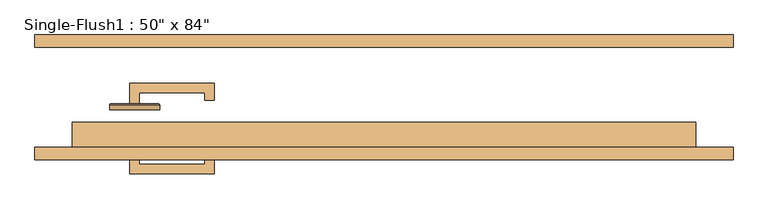
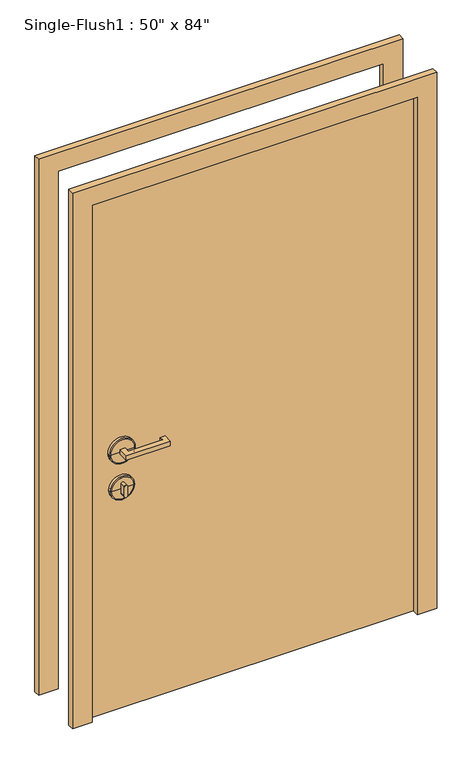
"""IFC4 building model written with IfcOpenShell, lengths in millimetres: door geometry."""

from ifc_helpers import new_model, si_unit, point, frame, frame_2d, origin, origin_with_axes, place, context, project, spatial, polyline, circle_curve, ellipse_curve, trimmed, segment, composite_curve, outline, extrude, source, transform, mapped, element, save
from ifc_brep_helpers import plane_surface, cylinder_surface, revolved_surface, advanced_brep


def door_08adf14d(model_context):
    return source(origin(), model_context, "Body", "SolidModel", [
        extrude(outline(polyline([(-498.475, -12.7), (-517.525, -12.7), (-517.525, 28.575), (-346.075, 28.575), (-346.075, -6.35), (-365.125, -6.35), (-365.125, 9.525), (-498.475, 9.525), (-498.475, -12.7)])), frame((0.0, 0.0, 1057.275), z_axis=(0.0, 0.0, 1.0), x_axis=(1.0, 0.0, 0.0)), (0.0, 0.0, 1.0), 19.05),
        extrude(outline(composite_curve([segment(trimmed(circle_curve(frame_2d((895.35, -508.0)), 6.35), [point((895.35, -514.35))], [point((895.35, -501.65))], False, "CARTESIAN"), True, "CONTINUOUS"), segment(polyline([(895.35, -501.65), (933.45, -501.65)]), True, "CONTINUOUS"), segment(trimmed(circle_curve(frame_2d((933.45, -508.0)), 6.35), [point((933.45, -501.65))], [point((933.45, -514.35))], False, "CARTESIAN"), True, "CONTINUOUS"), segment(polyline([(933.45, -514.35), (895.35, -514.35)]), True, "CONTINUOUS")], self_intersect=False)), frame((0.0, -12.7, 0.0), z_axis=(0.0, 1.0, 0.0), x_axis=(0.0, 0.0, 1.0)), (0.0, 0.0, 1.0), 22.225),
        advanced_brep(
        [(-460.375, -15.875, 914.4), (-555.625, -15.875, 914.4), (-555.625, -25.4, 914.4), (-460.375, -25.4, 914.4), (-463.55, -12.7, 914.4), (-552.45, -12.7, 914.4), (-508.0, -12.7, 914.4), (-508.0, -25.4, 914.4)],
        [
            (0, 1, circle_curve(frame((-508.0, -15.875, 914.4), z_axis=(0.0, -1.0, 0.0), x_axis=(-1.0, 0.0, 0.0)), 47.625)),
            (1, 2),
            (2, 3, circle_curve(frame((-508.0, -25.4, 914.4), z_axis=(0.0, 1.0, 0.0), x_axis=(-1.0, 0.0, 0.0)), 47.625)),
            (3, 0),
            (1, 0, circle_curve(frame((-508.0, -15.875, 914.4), z_axis=(0.0, -1.0, 0.0), x_axis=(-1.0, 0.0, 0.0)), 47.625)),
            (3, 2, circle_curve(frame((-508.0, -25.4, 914.4), z_axis=(0.0, 1.0, 0.0), x_axis=(-1.0, 0.0, 0.0)), 47.625)),
            (4, 5, circle_curve(frame((-508.0, -12.7, 914.4), z_axis=(0.0, -1.0, 0.0), x_axis=(-1.0, 0.0, 0.0)), 44.45)),
            (5, 1, circle_curve(frame((-552.45, -15.875, 914.4), z_axis=(0.0, 0.0, 1.0), x_axis=(1.0, 0.0, 0.0)), 3.175)),
            (0, 4, circle_curve(frame((-463.55, -15.875, 914.4), z_axis=(0.0, 0.0, 1.0), x_axis=(-1.0, 0.0, 0.0)), 3.175)),
            (5, 4, circle_curve(frame((-508.0, -12.7, 914.4), z_axis=(0.0, -1.0, 0.0), x_axis=(-1.0, 0.0, 0.0)), 44.45)),
            (6, 5),
            (4, 6),
            (2, 7),
            (7, 3),
        ],
        [
            cylinder_surface(frame((-508.0, -152.4, 914.4), z_axis=(0.0, 1.0, 0.0), x_axis=(-1.0, 0.0, 0.0)), 47.625),
            revolved_surface(trimmed(ellipse_curve(frame((-552.45, -15.875, 914.4), z_axis=(0.0, 0.0, -1.0), x_axis=(1.0, 0.0, 0.0)), 3.175, 3.175), [point((-555.625, -15.875, 914.4))], [point((-552.45, -12.7, 914.4))], True, "CARTESIAN"), (-508.0, -152.4, 914.4), (0.0, 1.0, 0.0)),
            plane_surface(frame((-508.0, -12.7, 914.4), z_axis=(0.0, 1.0, 0.0), x_axis=(-1.0, 0.0, 0.0))),
            plane_surface(frame((-508.0, -25.4, 914.4), z_axis=(0.0, -1.0, 0.0), x_axis=(-1.0, 0.0, 0.0))),
        ],
        [
            (0, [[1, 2, 3, 4]]),
            (0, [[5, -4, 6, -2]]),
            (1, [[7, 8, -1, 9]]),
            (1, [[10, -9, -5, -8]]),
            (2, [[11, -7, 12]]),
            (2, [[-12, -10, -11]]),
            (3, [[-3, 13, 14]]),
            (3, [[-6, -14, -13]]),
        ],
    ),
        advanced_brep(
        [(-457.2, -15.875, 1066.8), (-558.8, -15.875, 1066.8), (-558.8, -25.4, 1066.8), (-457.2, -25.4, 1066.8), (-460.375, -12.7, 1066.8), (-555.625, -12.7, 1066.8), (-508.0, -12.7, 1066.8), (-508.0, -25.4, 1066.8)],
        [
            (0, 1, circle_curve(frame((-508.0, -15.875, 1066.8), z_axis=(0.0, -1.0, 0.0), x_axis=(-1.0, 0.0, 0.0)), 50.8)),
            (1, 2),
            (2, 3, circle_curve(frame((-508.0, -25.4, 1066.8), z_axis=(0.0, 1.0, 0.0), x_axis=(-1.0, 0.0, 0.0)), 50.8)),
            (3, 0),
            (1, 0, circle_curve(frame((-508.0, -15.875, 1066.8), z_axis=(0.0, -1.0, 0.0), x_axis=(-1.0, 0.0, 0.0)), 50.8)),
            (3, 2, circle_curve(frame((-508.0, -25.4, 1066.8), z_axis=(0.0, 1.0, 0.0), x_axis=(-1.0, 0.0, 0.0)), 50.8)),
            (4, 5, circle_curve(frame((-508.0, -12.7, 1066.8), z_axis=(0.0, -1.0, 0.0), x_axis=(-1.0, 0.0, 0.0)), 47.625)),
            (5, 1, circle_curve(frame((-555.625, -15.875, 1066.8), z_axis=(0.0, 0.0, 1.0), x_axis=(1.0, 0.0, 0.0)), 3.175)),
            (0, 4, circle_curve(frame((-460.375, -15.875, 1066.8), z_axis=(0.0, 0.0, 1.0), x_axis=(-1.0, 0.0, 0.0)), 3.175)),
            (5, 4, circle_curve(frame((-508.0, -12.7, 1066.8), z_axis=(0.0, -1.0, 0.0), x_axis=(-1.0, 0.0, 0.0)), 47.625)),
            (6, 5),
            (4, 6),
            (2, 7),
            (7, 3),
        ],
        [
            cylinder_surface(frame((-508.0, -152.4, 1066.8), z_axis=(0.0, 1.0, 0.0), x_axis=(-1.0, 0.0, 0.0)), 50.8),
            revolved_surface(trimmed(ellipse_curve(frame((-555.625, -15.875, 1066.8), z_axis=(0.0, 0.0, -1.0), x_axis=(1.0, 0.0, 0.0)), 3.175, 3.175), [point((-558.8, -15.875, 1066.8))], [point((-555.625, -12.7, 1066.8))], True, "CARTESIAN"), (-508.0, -152.4, 1066.8), (0.0, 1.0, 0.0)),
            plane_surface(frame((-508.0, -12.7, 1066.8), z_axis=(0.0, 1.0, 0.0), x_axis=(-1.0, 0.0, 0.0))),
            plane_surface(frame((-508.0, -25.4, 1066.8), z_axis=(0.0, -1.0, 0.0), x_axis=(-1.0, 0.0, 0.0))),
        ],
        [
            (0, [[1, 2, 3, 4]]),
            (0, [[5, -4, 6, -2]]),
            (1, [[7, 8, -1, 9]]),
            (1, [[10, -9, -5, -8]]),
            (2, [[11, -7, 12]]),
            (2, [[-12, -10, -11]]),
            (3, [[-3, 13, 14]]),
            (3, [[-6, -14, -13]]),
        ],
    ),
        extrude(outline(polyline([(-498.475, -114.3), (-498.475, -136.525), (-365.125, -136.525), (-365.125, -120.65), (-346.075, -120.65), (-346.075, -155.575), (-517.525, -155.575), (-517.525, -114.3), (-498.475, -114.3)])), frame((0.0, 0.0, 1057.275), z_axis=(0.0, 0.0, 1.0), x_axis=(1.0, 0.0, 0.0)), (0.0, 0.0, 1.0), 19.05),
        extrude(outline(composite_curve([segment(trimmed(circle_curve(frame_2d((895.35, -508.0)), 6.35), [point((895.35, -514.35))], [point((895.35, -501.65))], False, "CARTESIAN"), True, "CONTINUOUS"), segment(polyline([(895.35, -501.65), (933.45, -501.65)]), True, "CONTINUOUS"), segment(trimmed(circle_curve(frame_2d((933.45, -508.0)), 6.35), [point((933.45, -501.65))], [point((933.45, -514.35))], False, "CARTESIAN"), True, "CONTINUOUS"), segment(polyline([(933.45, -514.35), (895.35, -514.35)]), True, "CONTINUOUS")], self_intersect=False)), frame((0.0, -136.525, 0.0), z_axis=(0.0, 1.0, 0.0), x_axis=(0.0, 0.0, 1.0)), (0.0, 0.0, 1.0), 22.225),
        advanced_brep(
        [(-460.375, -111.125, 914.4), (-460.375, -101.6, 914.4), (-555.625, -101.6, 914.4), (-555.625, -111.125, 914.4), (-463.55, -114.3, 914.4), (-552.45, -114.3, 914.4), (-508.0, -114.3, 914.4), (-508.0, -101.6, 914.4)],
        [
            (0, 1),
            (1, 2, circle_curve(frame((-508.0, -101.6, 914.4), z_axis=(0.0, -1.0, 0.0), x_axis=(-1.0, 0.0, 0.0)), 47.625)),
            (2, 3),
            (3, 0, circle_curve(frame((-508.0, -111.125, 914.4), z_axis=(0.0, 1.0, 0.0), x_axis=(-1.0, 0.0, 0.0)), 47.625)),
            (2, 1, circle_curve(frame((-508.0, -101.6, 914.4), z_axis=(0.0, -1.0, 0.0), x_axis=(-1.0, 0.0, 0.0)), 47.625)),
            (0, 3, circle_curve(frame((-508.0, -111.125, 914.4), z_axis=(0.0, 1.0, 0.0), x_axis=(-1.0, 0.0, 0.0)), 47.625)),
            (4, 0, circle_curve(frame((-463.55, -111.125, 914.4), z_axis=(0.0, 0.0, 1.0), x_axis=(-1.0, 0.0, 0.0)), 3.175)),
            (3, 5, circle_curve(frame((-552.45, -111.125, 914.4), z_axis=(0.0, 0.0, 1.0), x_axis=(1.0, 0.0, 0.0)), 3.175)),
            (5, 4, circle_curve(frame((-508.0, -114.3, 914.4), z_axis=(0.0, 1.0, 0.0), x_axis=(-1.0, 0.0, 0.0)), 44.45)),
            (4, 5, circle_curve(frame((-508.0, -114.3, 914.4), z_axis=(0.0, 1.0, 0.0), x_axis=(-1.0, 0.0, 0.0)), 44.45)),
            (6, 4),
            (5, 6),
            (1, 7),
            (7, 2),
        ],
        [
            cylinder_surface(frame((-508.0, 25.4, 914.4), z_axis=(0.0, -1.0, 0.0), x_axis=(-1.0, 0.0, 0.0)), 47.625),
            revolved_surface(trimmed(ellipse_curve(frame((-552.45, -111.125, 914.4), z_axis=(0.0, 0.0, 1.0), x_axis=(1.0, 0.0, 0.0)), 3.175, 3.175), [point((-555.625, -111.125, 914.4))], [point((-552.45, -114.3, 914.4))], True, "CARTESIAN"), (-508.0, 25.4, 914.4), (0.0, -1.0, 0.0)),
            plane_surface(frame((-508.0, -114.3, 914.4), z_axis=(0.0, -1.0, 0.0), x_axis=(-1.0, 0.0, 0.0))),
            plane_surface(frame((-508.0, -101.6, 914.4), z_axis=(0.0, 1.0, 0.0), x_axis=(-1.0, 0.0, 0.0))),
        ],
        [
            (0, [[1, 2, 3, 4]]),
            (0, [[-3, 5, -1, 6]]),
            (1, [[7, -4, 8, 9]]),
            (1, [[-8, -6, -7, 10]]),
            (2, [[11, -9, 12]]),
            (2, [[-12, -10, -11]]),
            (3, [[13, 14, -2]]),
            (3, [[-14, -13, -5]]),
        ],
    ),
        advanced_brep(
        [(-457.2, -111.125, 1066.8), (-457.2, -101.6, 1066.8), (-558.8, -101.6, 1066.8), (-558.8, -111.125, 1066.8), (-460.375, -114.3, 1066.8), (-555.625, -114.3, 1066.8), (-508.0, -114.3, 1066.8), (-508.0, -101.6, 1066.8)],
        [
            (0, 1),
            (1, 2, circle_curve(frame((-508.0, -101.6, 1066.8), z_axis=(0.0, -1.0, 0.0), x_axis=(-1.0, 0.0, 0.0)), 50.8)),
            (2, 3),
            (3, 0, circle_curve(frame((-508.0, -111.125, 1066.8), z_axis=(0.0, 1.0, 0.0), x_axis=(-1.0, 0.0, 0.0)), 50.8)),
            (2, 1, circle_curve(frame((-508.0, -101.6, 1066.8), z_axis=(0.0, -1.0, 0.0), x_axis=(-1.0, 0.0, 0.0)), 50.8)),
            (0, 3, circle_curve(frame((-508.0, -111.125, 1066.8), z_axis=(0.0, 1.0, 0.0), x_axis=(-1.0, 0.0, 0.0)), 50.8)),
            (4, 0, circle_curve(frame((-460.375, -111.125, 1066.8), z_axis=(0.0, 0.0, 1.0), x_axis=(-1.0, 0.0, 0.0)), 3.175)),
            (3, 5, circle_curve(frame((-555.625, -111.125, 1066.8), z_axis=(0.0, 0.0, 1.0), x_axis=(1.0, 0.0, 0.0)), 3.175)),
            (5, 4, circle_curve(frame((-508.0, -114.3, 1066.8), z_axis=(0.0, 1.0, 0.0), x_axis=(-1.0, 0.0, 0.0)), 47.625)),
            (4, 5, circle_curve(frame((-508.0, -114.3, 1066.8), z_axis=(0.0, 1.0, 0.0), x_axis=(-1.0, 0.0, 0.0)), 47.625)),
            (6, 4),
            (5, 6),
            (1, 7),
            (7, 2),
        ],
        [
            cylinder_surface(frame((-508.0, 25.4, 1066.8), z_axis=(0.0, -1.0, 0.0), x_axis=(-1.0, 0.0, 0.0)), 50.8),
            revolved_surface(trimmed(ellipse_curve(frame((-555.625, -111.125, 1066.8), z_axis=(0.0, 0.0, 1.0), x_axis=(1.0, 0.0, 0.0)), 3.175, 3.175), [point((-558.8, -111.125, 1066.8))], [point((-555.625, -114.3, 1066.8))], True, "CARTESIAN"), (-508.0, 25.4, 1066.8), (0.0, -1.0, 0.0)),
            plane_surface(frame((-508.0, -114.3, 1066.8), z_axis=(0.0, -1.0, 0.0), x_axis=(-1.0, 0.0, 0.0))),
            plane_surface(frame((-508.0, -101.6, 1066.8), z_axis=(0.0, 1.0, 0.0), x_axis=(-1.0, 0.0, 0.0))),
        ],
        [
            (0, [[1, 2, 3, 4]]),
            (0, [[-3, 5, -1, 6]]),
            (1, [[7, -4, 8, 9]]),
            (1, [[-8, -6, -7, 10]]),
            (2, [[11, -9, 12]]),
            (2, [[-12, -10, -11]]),
            (3, [[13, 14, -2]]),
            (3, [[-14, -13, -5]]),
        ],
    ),
        extrude(outline(polyline([(2209.8, -711.2), (0.0, -711.2), (0.0, -635.0), (2133.6, -635.0), (2133.6, 635.0), (0.0, 635.0), (0.0, 711.2), (2209.8, 711.2), (2209.8, -711.2)])), frame((0.0, -127.0, 0.0), z_axis=(0.0, 1.0, 0.0), x_axis=(0.0, 0.0, 1.0)), (0.0, 0.0, 1.0), 25.4),
        extrude(outline(polyline([(2209.8, 711.2), (2209.8, -711.2), (0.0, -711.2), (0.0, -635.0), (2133.6, -635.0), (2133.6, 635.0), (0.0, 635.0), (0.0, 711.2), (2209.8, 711.2)])), frame((0.0, 101.6, 0.0), z_axis=(0.0, 1.0, 0.0), x_axis=(0.0, 0.0, 1.0)), (0.0, 0.0, 1.0), 25.4),
        extrude(outline(polyline([(635.0, -50.8), (635.0, -101.6), (-635.0, -101.6), (-635.0, -50.8), (635.0, -50.8)])), origin_with_axes(), (0.0, 0.0, 1.0), 2133.6),
    ])


if __name__ == "__main__":
    model = new_model("IFC4")
    model_context = context("Model", 3, world=origin())
    ifc_project = project(units=[si_unit("LENGTHUNIT", "METRE", prefix="MILLI")], contexts=[model_context])
    site = spatial("IfcSite", under=ifc_project)
    building = spatial("IfcBuilding", under=site)
    placement = place(None, origin())
    door_shape = door_08adf14d(model_context)
    element("IfcDoor", 1, ObjectType="Single-Flush1 : 50\" x 84\"", at=placement, inside=building, context=model_context, shape_type="MappedRepresentation", body=[
        mapped(door_shape, transform((0.0, 0.0, 0.0), x_axis=(1.0, 0.0, 0.0), y_axis=(0.0, 1.0, 0.0), z_axis=(0.0, 0.0, 1.0))),
    ])
    save(model, "model.ifc")
